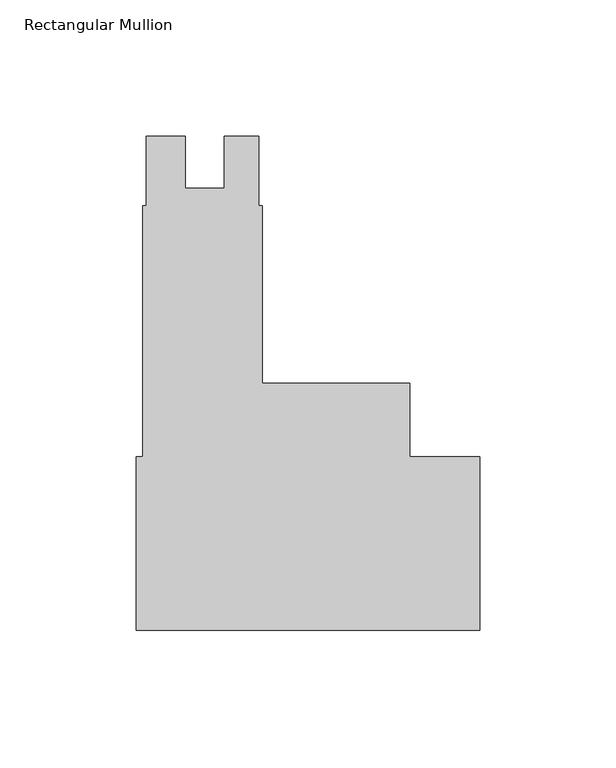
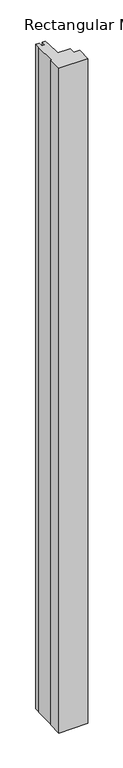
"""IFC4 building model written with IfcOpenShell, lengths in millimetres: member geometry, Rectangular Mullion."""

from ifc_helpers import new_model, si_unit, frame, origin, place, context, project, spatial, polyline, outline, extrude, source, transform, mapped, element, save


def rectangular_mullion_f4d3b9b0(model_context):
    return source(origin(), model_context, "Body", "SweptSolid", [
        extrude(outline(polyline([(-125.7808, -31.75), (-125.7808, 31.75), (-123.39955, 31.75), (-123.39955, 123.825), (-122.1422337, 123.825), (-122.1422337, 149.225), (-107.88015, 149.225), (-107.88015, 130.1877009), (-93.59265, 130.1877009), (-93.59265, 149.225), (-80.87995, 149.225), (-80.87995, 123.825), (-79.60995, 123.825), (-79.60995, 58.7248), (-25.577927, 58.7248), (-25.577927, 31.75), (0.0, 31.75), (0.0, -31.75), (-125.7808, -31.75)])), frame((0.0, 0.0, -3048.0), z_axis=(0.0, 0.0, 1.0), x_axis=(1.0, 0.0, 0.0)), (0.0, 0.0, 1.0), 3048.0),
    ])


if __name__ == "__main__":
    model = new_model("IFC4")
    model_context = context("Model", 3, world=origin())
    ifc_project = project(units=[si_unit("LENGTHUNIT", "METRE", prefix="MILLI")], contexts=[model_context])
    site = spatial("IfcSite", under=ifc_project)
    building = spatial("IfcBuilding", under=site)
    placement = place(None, origin())
    rectangular_mullion_shape = rectangular_mullion_f4d3b9b0(model_context)
    element("IfcMember", 1, ObjectType="Rectangular Mullion", at=placement, inside=building, context=model_context, shape_type="MappedRepresentation", body=[
        mapped(rectangular_mullion_shape, transform((0.0, 0.0, 0.0), x_axis=(1.0, 0.0, 0.0), y_axis=(0.0, 1.0, 0.0), z_axis=(0.0, 0.0, 1.0))),
    ])
    save(model, "model.ifc")
